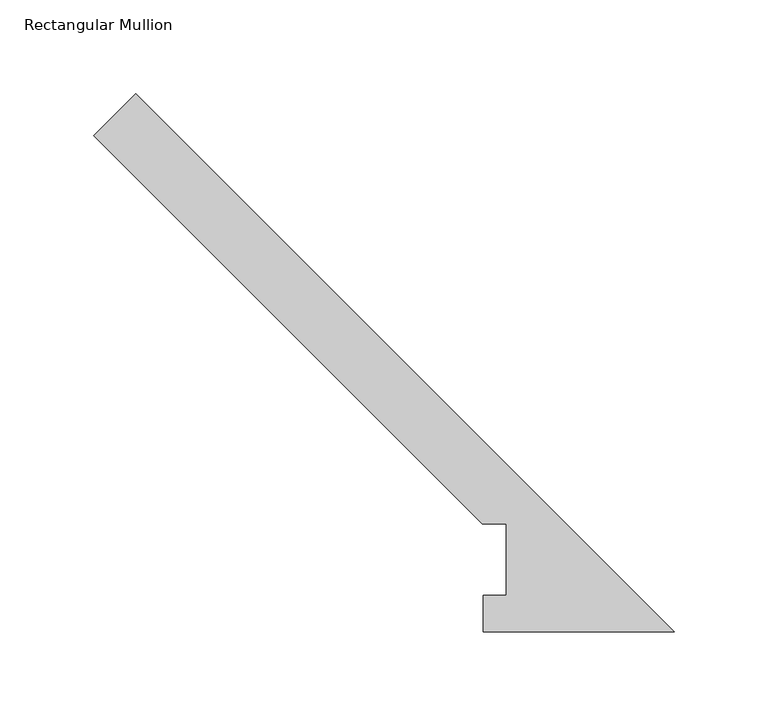
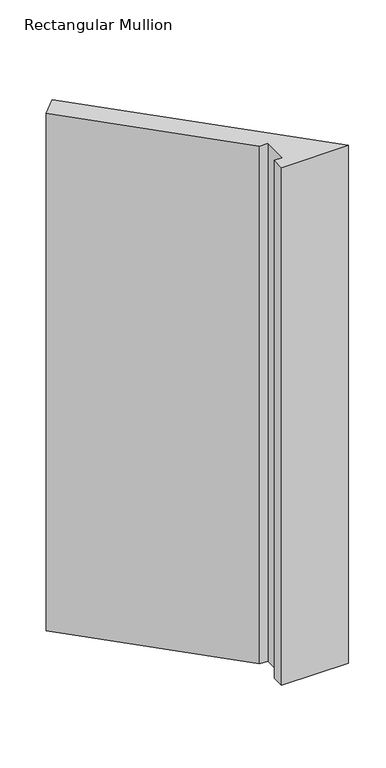
"""IFC4 building model written with IfcOpenShell, lengths in millimetres: member geometry, Rectangular Mullion."""

from ifc_helpers import new_model, si_unit, frame, origin, place, context, project, spatial, polyline, outline, extrude, source, transform, mapped, element, save


def rectangular_mullion_2e801c70(model_context):
    return source(origin(), model_context, "Body", "SweptSolid", [
        extrude(outline(polyline([(-102.5396468, 57.6460937), (-310.0339648, 265.1404117), (-287.5833245, 287.591052), (0.0, 0.0077275), (-102.1557194, 0.0077275), (-102.1557194, 19.5403275), (-89.8396468, 19.5403275), (-89.8396468, 57.6460938), (-102.5396468, 57.6460937)])), frame((0.0, 0.0, -838.2), z_axis=(0.0, 0.0, 1.0), x_axis=(1.0, 0.0, 0.0)), (0.0, 0.0, 1.0), 838.2),
    ])


if __name__ == "__main__":
    model = new_model("IFC4")
    model_context = context("Model", 3, world=origin())
    ifc_project = project(units=[si_unit("LENGTHUNIT", "METRE", prefix="MILLI")], contexts=[model_context])
    site = spatial("IfcSite", under=ifc_project)
    building = spatial("IfcBuilding", under=site)
    placement = place(None, origin())
    rectangular_mullion_shape = rectangular_mullion_2e801c70(model_context)
    element("IfcMember", 1, ObjectType="Rectangular Mullion", at=placement, inside=building, context=model_context, shape_type="MappedRepresentation", body=[
        mapped(rectangular_mullion_shape, transform((0.0, 0.0, 0.0), x_axis=(1.0, 0.0, 0.0), y_axis=(0.0, 1.0, 0.0), z_axis=(0.0, 0.0, 1.0))),
    ])
    save(model, "model.ifc")
